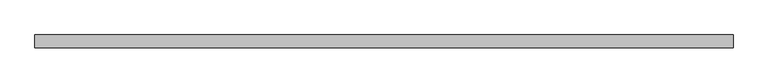
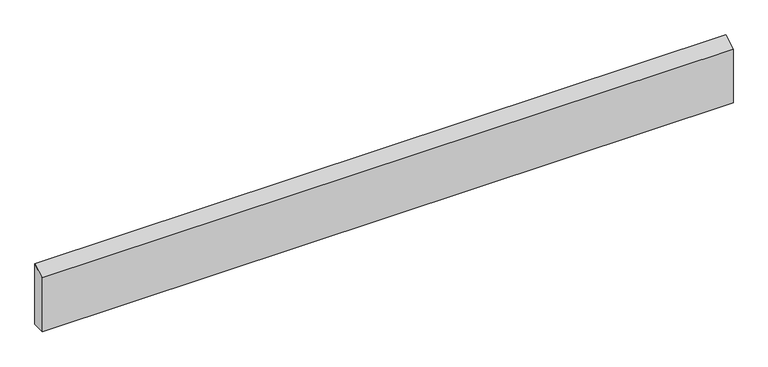
"""IFC4 building model written with IfcOpenShell, lengths in millimetres: beam geometry."""

from ifc_helpers import new_model, si_unit, frame, origin, place, context, project, spatial, polyline, outline, extrude, source, transform, mapped, element, save


def beam_e78002b9(model_context):
    return source(origin(), model_context, "Body", "SweptSolid", [
        extrude(outline(polyline([(11.0, 68.5017059), (11.0, -43.0982941), (-11.0, -43.0982941), (-11.0, 55.8), (11.0, 68.5017059)])), frame((-601.0, 0.0, 0.0), z_axis=(1.0, 0.0, 0.0), x_axis=(0.0, 1.0, 0.0)), (0.0, 0.0, 1.0), 1202.0),
    ])


if __name__ == "__main__":
    model = new_model("IFC4")
    model_context = context("Model", 3, world=origin())
    ifc_project = project(units=[si_unit("LENGTHUNIT", "METRE", prefix="MILLI")], contexts=[model_context])
    site = spatial("IfcSite", under=ifc_project)
    building = spatial("IfcBuilding", under=site)
    placement = place(None, origin())
    beam_shape = beam_e78002b9(model_context)
    element("IfcBeam", 1, at=placement, inside=building, context=model_context, shape_type="MappedRepresentation", body=[
        mapped(beam_shape, transform((0.0, 0.0, 0.0), x_axis=(1.0, 0.0, 0.0), y_axis=(0.0, 1.0, 0.0), z_axis=(0.0, 0.0, 1.0))),
    ])
    save(model, "model.ifc")
